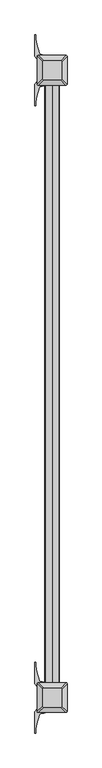
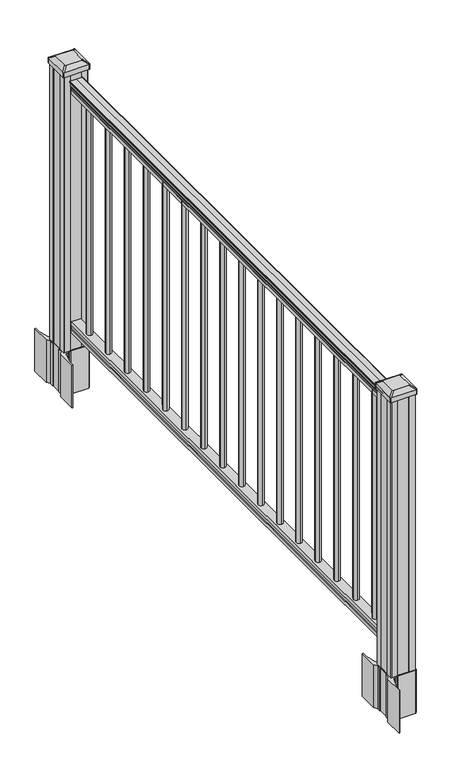
"""IFC4 building model written with IfcOpenShell, lengths in millimetres: railing geometry."""

from ifc_helpers import new_model, si_unit, point, frame, frame_2d, origin, origin_with_axes, place, context, project, spatial, polyline, circle_curve, trimmed, segment, composite_curve, outline, extrude, source, transform, mapped, element, save
from ifc_brep_helpers import plane_surface, extruded_surface, advanced_brep


def railing_720dedae(model_context):
    return source(origin(), model_context, "Body", "SolidModel", [
        extrude(outline(composite_curve([segment(polyline([(938.4043297, -100.5103658), (940.292412, -100.5103658)]), True, "CONTINUOUS"), segment(trimmed(circle_curve(frame_2d((946.0506383, -106.8251191)), 8.545951), [point((940.292412, -100.5103658))], [point((941.8546695, -99.3801795))], False, "CARTESIAN"), True, "CONTINUOUS"), segment(trimmed(circle_curve(frame_2d((945.4636577, -106.3880561)), 7.882584), [point((941.8546695, -99.3801795))], [point((949.0726458, -99.3801795))], False, "CARTESIAN"), True, "CONTINUOUS"), segment(trimmed(circle_curve(frame_2d((951.3112527, -95.874732)), 4.1592695), [point((949.0726458, -99.3801795))], [point((951.5060812, -100.0294359))], True, "CARTESIAN"), True, "CONTINUOUS"), segment(trimmed(circle_curve(frame_2d((951.2508864, -94.5874254)), 5.4479907), [point((951.5060812, -100.0294359))], [point((955.8362083, -97.5294359))], True, "CARTESIAN"), True, "CONTINUOUS"), segment(trimmed(circle_curve(frame_2d((955.833395, -95.8205839)), 1.7088543), [point((955.8362083, -97.5294359))], [point((957.5157972, -96.1200935))], True, "CARTESIAN"), True, "CONTINUOUS"), segment(trimmed(circle_curve(frame_2d((958.6205318, -97.437484)), 1.7192895), [point((957.5157972, -96.1200935))], [point((958.6205318, -95.7181945))], False, "CARTESIAN"), True, "CONTINUOUS"), segment(polyline([(958.6205318, -95.7181945), (959.9608158, -95.7181945)]), True, "CONTINUOUS"), segment(trimmed(circle_curve(frame_2d((959.9608158, -97.2716418)), 1.5534472), [point((959.9608158, -95.7181945))], [point((961.514263, -97.2716418))], False, "CARTESIAN"), True, "CONTINUOUS"), segment(polyline([(961.514263, -97.2716418), (961.514263, -117.9431945), (961.514263, -138.6147473)]), True, "CONTINUOUS"), segment(trimmed(circle_curve(frame_2d((959.9608158, -138.6147473)), 1.5534472), [point((961.514263, -138.6147473))], [point((959.9608158, -140.1681945))], False, "CARTESIAN"), True, "CONTINUOUS"), segment(polyline([(959.9608158, -140.1681945), (958.6205318, -140.1681945)]), True, "CONTINUOUS"), segment(trimmed(circle_curve(frame_2d((958.6205318, -138.4489051)), 1.7192895), [point((958.6205318, -140.1681945))], [point((957.5157972, -139.7662956))], False, "CARTESIAN"), True, "CONTINUOUS"), segment(trimmed(circle_curve(frame_2d((955.833395, -140.0658052)), 1.7088543), [point((957.5157972, -139.7662956))], [point((955.8362083, -138.3569532))], True, "CARTESIAN"), True, "CONTINUOUS"), segment(trimmed(circle_curve(frame_2d((951.2508864, -141.2989636)), 5.4479907), [point((955.8362083, -138.3569532))], [point((951.5060812, -135.8569532))], True, "CARTESIAN"), True, "CONTINUOUS"), segment(trimmed(circle_curve(frame_2d((951.3112527, -140.0116571)), 4.1592695), [point((951.5060812, -135.8569532))], [point((949.0726458, -136.5062096))], True, "CARTESIAN"), True, "CONTINUOUS"), segment(trimmed(circle_curve(frame_2d((945.4636577, -129.498333)), 7.882584), [point((949.0726458, -136.5062096))], [point((941.8546695, -136.5062096))], False, "CARTESIAN"), True, "CONTINUOUS"), segment(trimmed(circle_curve(frame_2d((946.0506383, -129.06127)), 8.545951), [point((941.8546695, -136.5062096))], [point((940.292412, -135.3760233))], False, "CARTESIAN"), True, "CONTINUOUS"), segment(polyline([(940.292412, -135.3760233), (938.4043297, -135.3760233)]), True, "CONTINUOUS"), segment(trimmed(circle_curve(frame_2d((938.4043297, -134.0891089)), 1.2869144), [point((938.4043297, -135.3760233))], [point((938.4043297, -132.8021945))], False, "CARTESIAN"), True, "CONTINUOUS"), segment(polyline([(938.4043297, -132.8021945), (927.9048283, -132.8021945), (926.8888283, -133.8181945), (914.4, -133.8181945), (914.4, -102.0681945), (926.731013, -102.0681945), (927.747013, -103.0841945), (938.4043297, -103.0841945)]), True, "CONTINUOUS"), segment(trimmed(circle_curve(frame_2d((938.4043297, -101.7972802)), 1.2869144), [point((938.4043297, -103.0841945))], [point((938.4043297, -100.5103658))], False, "CARTESIAN"), True, "CONTINUOUS")], self_intersect=False)), frame((0.0, -20834.6757239, 0.0), z_axis=(0.0, 1.0, 0.0), x_axis=(0.0, 0.0, 1.0)), (0.0, 0.0, 1.0), 1828.8),
        extrude(outline(polyline([(76.0541976, -102.0307077), (77.3546183, -103.0467077), (87.7141717, -103.0467077), (89.0624492, -102.0307077), (101.5958781, -102.0307077), (101.5958781, -133.7807077), (89.0458024, -133.7807077), (87.6975248, -132.7647077), (77.3858283, -132.7647077), (76.0375508, -133.7807077), (63.5, -133.7807077), (63.5, -102.0307077), (76.0541976, -102.0307077)])), frame((0.0, -20834.6757239, 0.0), z_axis=(0.0, 1.0, 0.0), x_axis=(0.0, 0.0, 1.0)), (0.0, 0.0, 1.0), 1828.8),
        extrude(outline(composite_curve([segment(trimmed(circle_curve(frame_2d((-117.9431945, -19084.8697239)), 9.525), [point((-108.4181945, -19084.8697239))], [point((-117.9431945, -19094.3947239))], False, "CARTESIAN"), True, "CONTINUOUS"), segment(trimmed(circle_curve(frame_2d((-117.9431945, -19084.8697239)), 9.525), [point((-117.9431945, -19094.3947239))], [point((-127.4681945, -19084.8697239))], False, "CARTESIAN"), True, "CONTINUOUS"), segment(trimmed(circle_curve(frame_2d((-117.9431945, -19084.8697239)), 9.525), [point((-127.4681945, -19084.8697239))], [point((-117.9431945, -19075.3447239))], False, "CARTESIAN"), True, "CONTINUOUS"), segment(trimmed(circle_curve(frame_2d((-117.9431945, -19084.8697239)), 9.525), [point((-117.9431945, -19075.3447239))], [point((-108.4181945, -19084.8697239))], False, "CARTESIAN"), True, "CONTINUOUS")], self_intersect=False)), frame((0.0, 0.0, 101.5958781), z_axis=(0.0, 0.0, 1.0), x_axis=(1.0, 0.0, 0.0)), (0.0, 0.0, 1.0), 812.8041219),
        extrude(outline(composite_curve([segment(trimmed(circle_curve(frame_2d((-117.9431945, -19196.1217239)), 9.525), [point((-108.4181945, -19196.1217239))], [point((-117.9431945, -19205.6467239))], False, "CARTESIAN"), True, "CONTINUOUS"), segment(trimmed(circle_curve(frame_2d((-117.9431945, -19196.1217239)), 9.525), [point((-117.9431945, -19205.6467239))], [point((-127.4681945, -19196.1217239))], False, "CARTESIAN"), True, "CONTINUOUS"), segment(trimmed(circle_curve(frame_2d((-117.9431945, -19196.1217239)), 9.525), [point((-127.4681945, -19196.1217239))], [point((-117.9431945, -19186.5967239))], False, "CARTESIAN"), True, "CONTINUOUS"), segment(trimmed(circle_curve(frame_2d((-117.9431945, -19196.1217239)), 9.525), [point((-117.9431945, -19186.5967239))], [point((-108.4181945, -19196.1217239))], False, "CARTESIAN"), True, "CONTINUOUS")], self_intersect=False)), frame((0.0, 0.0, 101.5958781), z_axis=(0.0, 0.0, 1.0), x_axis=(1.0, 0.0, 0.0)), (0.0, 0.0, 1.0), 812.8041219),
        extrude(outline(composite_curve([segment(trimmed(circle_curve(frame_2d((-117.9431945, -19307.3737239)), 9.525), [point((-108.4181945, -19307.3737239))], [point((-117.9431945, -19316.8987239))], False, "CARTESIAN"), True, "CONTINUOUS"), segment(trimmed(circle_curve(frame_2d((-117.9431945, -19307.3737239)), 9.525), [point((-117.9431945, -19316.8987239))], [point((-127.4681945, -19307.3737239))], False, "CARTESIAN"), True, "CONTINUOUS"), segment(trimmed(circle_curve(frame_2d((-117.9431945, -19307.3737239)), 9.525), [point((-127.4681945, -19307.3737239))], [point((-117.9431945, -19297.8487239))], False, "CARTESIAN"), True, "CONTINUOUS"), segment(trimmed(circle_curve(frame_2d((-117.9431945, -19307.3737239)), 9.525), [point((-117.9431945, -19297.8487239))], [point((-108.4181945, -19307.3737239))], False, "CARTESIAN"), True, "CONTINUOUS")], self_intersect=False)), frame((0.0, 0.0, 101.5958781), z_axis=(0.0, 0.0, 1.0), x_axis=(1.0, 0.0, 0.0)), (0.0, 0.0, 1.0), 812.8041219),
        extrude(outline(composite_curve([segment(trimmed(circle_curve(frame_2d((-117.9431945, -19418.6257239)), 9.525), [point((-108.4181945, -19418.6257239))], [point((-117.9431945, -19428.1507239))], False, "CARTESIAN"), True, "CONTINUOUS"), segment(trimmed(circle_curve(frame_2d((-117.9431945, -19418.6257239)), 9.525), [point((-117.9431945, -19428.1507239))], [point((-127.4681945, -19418.6257239))], False, "CARTESIAN"), True, "CONTINUOUS"), segment(trimmed(circle_curve(frame_2d((-117.9431945, -19418.6257239)), 9.525), [point((-127.4681945, -19418.6257239))], [point((-117.9431945, -19409.1007239))], False, "CARTESIAN"), True, "CONTINUOUS"), segment(trimmed(circle_curve(frame_2d((-117.9431945, -19418.6257239)), 9.525), [point((-117.9431945, -19409.1007239))], [point((-108.4181945, -19418.6257239))], False, "CARTESIAN"), True, "CONTINUOUS")], self_intersect=False)), frame((0.0, 0.0, 101.5958781), z_axis=(0.0, 0.0, 1.0), x_axis=(1.0, 0.0, 0.0)), (0.0, 0.0, 1.0), 812.8041219),
        extrude(outline(composite_curve([segment(trimmed(circle_curve(frame_2d((-117.9431945, -19529.8777239)), 9.525), [point((-108.4181945, -19529.8777239))], [point((-117.9431945, -19539.4027239))], False, "CARTESIAN"), True, "CONTINUOUS"), segment(trimmed(circle_curve(frame_2d((-117.9431945, -19529.8777239)), 9.525), [point((-117.9431945, -19539.4027239))], [point((-127.4681945, -19529.8777239))], False, "CARTESIAN"), True, "CONTINUOUS"), segment(trimmed(circle_curve(frame_2d((-117.9431945, -19529.8777239)), 9.525), [point((-127.4681945, -19529.8777239))], [point((-117.9431945, -19520.3527239))], False, "CARTESIAN"), True, "CONTINUOUS"), segment(trimmed(circle_curve(frame_2d((-117.9431945, -19529.8777239)), 9.525), [point((-117.9431945, -19520.3527239))], [point((-108.4181945, -19529.8777239))], False, "CARTESIAN"), True, "CONTINUOUS")], self_intersect=False)), frame((0.0, 0.0, 101.5958781), z_axis=(0.0, 0.0, 1.0), x_axis=(1.0, 0.0, 0.0)), (0.0, 0.0, 1.0), 812.8041219),
        extrude(outline(composite_curve([segment(trimmed(circle_curve(frame_2d((-117.9431945, -19641.1297239)), 9.525), [point((-108.4181945, -19641.1297239))], [point((-117.9431945, -19650.6547239))], False, "CARTESIAN"), True, "CONTINUOUS"), segment(trimmed(circle_curve(frame_2d((-117.9431945, -19641.1297239)), 9.525), [point((-117.9431945, -19650.6547239))], [point((-127.4681945, -19641.1297239))], False, "CARTESIAN"), True, "CONTINUOUS"), segment(trimmed(circle_curve(frame_2d((-117.9431945, -19641.1297239)), 9.525), [point((-127.4681945, -19641.1297239))], [point((-117.9431945, -19631.6047239))], False, "CARTESIAN"), True, "CONTINUOUS"), segment(trimmed(circle_curve(frame_2d((-117.9431945, -19641.1297239)), 9.525), [point((-117.9431945, -19631.6047239))], [point((-108.4181945, -19641.1297239))], False, "CARTESIAN"), True, "CONTINUOUS")], self_intersect=False)), frame((0.0, 0.0, 101.5958781), z_axis=(0.0, 0.0, 1.0), x_axis=(1.0, 0.0, 0.0)), (0.0, 0.0, 1.0), 812.8041219),
        extrude(outline(composite_curve([segment(trimmed(circle_curve(frame_2d((-117.9431945, -19752.3817239)), 9.525), [point((-108.4181945, -19752.3817239))], [point((-117.9431945, -19761.9067239))], False, "CARTESIAN"), True, "CONTINUOUS"), segment(trimmed(circle_curve(frame_2d((-117.9431945, -19752.3817239)), 9.525), [point((-117.9431945, -19761.9067239))], [point((-127.4681945, -19752.3817239))], False, "CARTESIAN"), True, "CONTINUOUS"), segment(trimmed(circle_curve(frame_2d((-117.9431945, -19752.3817239)), 9.525), [point((-127.4681945, -19752.3817239))], [point((-117.9431945, -19742.8567239))], False, "CARTESIAN"), True, "CONTINUOUS"), segment(trimmed(circle_curve(frame_2d((-117.9431945, -19752.3817239)), 9.525), [point((-117.9431945, -19742.8567239))], [point((-108.4181945, -19752.3817239))], False, "CARTESIAN"), True, "CONTINUOUS")], self_intersect=False)), frame((0.0, 0.0, 101.5958781), z_axis=(0.0, 0.0, 1.0), x_axis=(1.0, 0.0, 0.0)), (0.0, 0.0, 1.0), 812.8041219),
        extrude(outline(composite_curve([segment(trimmed(circle_curve(frame_2d((-117.9431945, -19863.6337239)), 9.525), [point((-108.4181945, -19863.6337239))], [point((-117.9431945, -19873.1587239))], False, "CARTESIAN"), True, "CONTINUOUS"), segment(trimmed(circle_curve(frame_2d((-117.9431945, -19863.6337239)), 9.525), [point((-117.9431945, -19873.1587239))], [point((-127.4681945, -19863.6337239))], False, "CARTESIAN"), True, "CONTINUOUS"), segment(trimmed(circle_curve(frame_2d((-117.9431945, -19863.6337239)), 9.525), [point((-127.4681945, -19863.6337239))], [point((-117.9431945, -19854.1087239))], False, "CARTESIAN"), True, "CONTINUOUS"), segment(trimmed(circle_curve(frame_2d((-117.9431945, -19863.6337239)), 9.525), [point((-117.9431945, -19854.1087239))], [point((-108.4181945, -19863.6337239))], False, "CARTESIAN"), True, "CONTINUOUS")], self_intersect=False)), frame((0.0, 0.0, 101.5958781), z_axis=(0.0, 0.0, 1.0), x_axis=(1.0, 0.0, 0.0)), (0.0, 0.0, 1.0), 812.8041219),
        extrude(outline(composite_curve([segment(trimmed(circle_curve(frame_2d((-117.9431945, -19974.8857239)), 9.525), [point((-108.4181945, -19974.8857239))], [point((-117.9431945, -19984.4107239))], False, "CARTESIAN"), True, "CONTINUOUS"), segment(trimmed(circle_curve(frame_2d((-117.9431945, -19974.8857239)), 9.525), [point((-117.9431945, -19984.4107239))], [point((-127.4681945, -19974.8857239))], False, "CARTESIAN"), True, "CONTINUOUS"), segment(trimmed(circle_curve(frame_2d((-117.9431945, -19974.8857239)), 9.525), [point((-127.4681945, -19974.8857239))], [point((-117.9431945, -19965.3607239))], False, "CARTESIAN"), True, "CONTINUOUS"), segment(trimmed(circle_curve(frame_2d((-117.9431945, -19974.8857239)), 9.525), [point((-117.9431945, -19965.3607239))], [point((-108.4181945, -19974.8857239))], False, "CARTESIAN"), True, "CONTINUOUS")], self_intersect=False)), frame((0.0, 0.0, 101.5958781), z_axis=(0.0, 0.0, 1.0), x_axis=(1.0, 0.0, 0.0)), (0.0, 0.0, 1.0), 812.8041219),
        extrude(outline(composite_curve([segment(trimmed(circle_curve(frame_2d((-117.9431945, -20086.1377239)), 9.525), [point((-108.4181945, -20086.1377239))], [point((-117.9431945, -20095.6627239))], False, "CARTESIAN"), True, "CONTINUOUS"), segment(trimmed(circle_curve(frame_2d((-117.9431945, -20086.1377239)), 9.525), [point((-117.9431945, -20095.6627239))], [point((-127.4681945, -20086.1377239))], False, "CARTESIAN"), True, "CONTINUOUS"), segment(trimmed(circle_curve(frame_2d((-117.9431945, -20086.1377239)), 9.525), [point((-127.4681945, -20086.1377239))], [point((-117.9431945, -20076.6127239))], False, "CARTESIAN"), True, "CONTINUOUS"), segment(trimmed(circle_curve(frame_2d((-117.9431945, -20086.1377239)), 9.525), [point((-117.9431945, -20076.6127239))], [point((-108.4181945, -20086.1377239))], False, "CARTESIAN"), True, "CONTINUOUS")], self_intersect=False)), frame((0.0, 0.0, 101.5958781), z_axis=(0.0, 0.0, 1.0), x_axis=(1.0, 0.0, 0.0)), (0.0, 0.0, 1.0), 812.8041219),
        extrude(outline(composite_curve([segment(trimmed(circle_curve(frame_2d((-117.9431945, -20197.3897239)), 9.525), [point((-108.4181945, -20197.3897239))], [point((-117.9431945, -20206.9147239))], False, "CARTESIAN"), True, "CONTINUOUS"), segment(trimmed(circle_curve(frame_2d((-117.9431945, -20197.3897239)), 9.525), [point((-117.9431945, -20206.9147239))], [point((-127.4681945, -20197.3897239))], False, "CARTESIAN"), True, "CONTINUOUS"), segment(trimmed(circle_curve(frame_2d((-117.9431945, -20197.3897239)), 9.525), [point((-127.4681945, -20197.3897239))], [point((-117.9431945, -20187.8647239))], False, "CARTESIAN"), True, "CONTINUOUS"), segment(trimmed(circle_curve(frame_2d((-117.9431945, -20197.3897239)), 9.525), [point((-117.9431945, -20187.8647239))], [point((-108.4181945, -20197.3897239))], False, "CARTESIAN"), True, "CONTINUOUS")], self_intersect=False)), frame((0.0, 0.0, 101.5958781), z_axis=(0.0, 0.0, 1.0), x_axis=(1.0, 0.0, 0.0)), (0.0, 0.0, 1.0), 812.8041219),
        extrude(outline(composite_curve([segment(trimmed(circle_curve(frame_2d((-117.9431945, -20308.6417239)), 9.525), [point((-108.4181945, -20308.6417239))], [point((-117.9431945, -20318.1667239))], False, "CARTESIAN"), True, "CONTINUOUS"), segment(trimmed(circle_curve(frame_2d((-117.9431945, -20308.6417239)), 9.525), [point((-117.9431945, -20318.1667239))], [point((-127.4681945, -20308.6417239))], False, "CARTESIAN"), True, "CONTINUOUS"), segment(trimmed(circle_curve(frame_2d((-117.9431945, -20308.6417239)), 9.525), [point((-127.4681945, -20308.6417239))], [point((-117.9431945, -20299.1167239))], False, "CARTESIAN"), True, "CONTINUOUS"), segment(trimmed(circle_curve(frame_2d((-117.9431945, -20308.6417239)), 9.525), [point((-117.9431945, -20299.1167239))], [point((-108.4181945, -20308.6417239))], False, "CARTESIAN"), True, "CONTINUOUS")], self_intersect=False)), frame((0.0, 0.0, 101.5958781), z_axis=(0.0, 0.0, 1.0), x_axis=(1.0, 0.0, 0.0)), (0.0, 0.0, 1.0), 812.8041219),
        extrude(outline(composite_curve([segment(trimmed(circle_curve(frame_2d((-117.9431945, -20419.8937239)), 9.525), [point((-108.4181945, -20419.8937239))], [point((-117.9431945, -20429.4187239))], False, "CARTESIAN"), True, "CONTINUOUS"), segment(trimmed(circle_curve(frame_2d((-117.9431945, -20419.8937239)), 9.525), [point((-117.9431945, -20429.4187239))], [point((-127.4681945, -20419.8937239))], False, "CARTESIAN"), True, "CONTINUOUS"), segment(trimmed(circle_curve(frame_2d((-117.9431945, -20419.8937239)), 9.525), [point((-127.4681945, -20419.8937239))], [point((-117.9431945, -20410.3687239))], False, "CARTESIAN"), True, "CONTINUOUS"), segment(trimmed(circle_curve(frame_2d((-117.9431945, -20419.8937239)), 9.525), [point((-117.9431945, -20410.3687239))], [point((-108.4181945, -20419.8937239))], False, "CARTESIAN"), True, "CONTINUOUS")], self_intersect=False)), frame((0.0, 0.0, 101.5958781), z_axis=(0.0, 0.0, 1.0), x_axis=(1.0, 0.0, 0.0)), (0.0, 0.0, 1.0), 812.8041219),
        extrude(outline(composite_curve([segment(trimmed(circle_curve(frame_2d((-117.9431945, -20531.1457239)), 9.525), [point((-108.4181945, -20531.1457239))], [point((-117.9431945, -20540.6707239))], False, "CARTESIAN"), True, "CONTINUOUS"), segment(trimmed(circle_curve(frame_2d((-117.9431945, -20531.1457239)), 9.525), [point((-117.9431945, -20540.6707239))], [point((-127.4681945, -20531.1457239))], False, "CARTESIAN"), True, "CONTINUOUS"), segment(trimmed(circle_curve(frame_2d((-117.9431945, -20531.1457239)), 9.525), [point((-127.4681945, -20531.1457239))], [point((-117.9431945, -20521.6207239))], False, "CARTESIAN"), True, "CONTINUOUS"), segment(trimmed(circle_curve(frame_2d((-117.9431945, -20531.1457239)), 9.525), [point((-117.9431945, -20521.6207239))], [point((-108.4181945, -20531.1457239))], False, "CARTESIAN"), True, "CONTINUOUS")], self_intersect=False)), frame((0.0, 0.0, 101.5958781), z_axis=(0.0, 0.0, 1.0), x_axis=(1.0, 0.0, 0.0)), (0.0, 0.0, 1.0), 812.8041219),
        extrude(outline(composite_curve([segment(trimmed(circle_curve(frame_2d((-117.9431945, -20642.3977239)), 9.525), [point((-108.4181945, -20642.3977239))], [point((-117.9431945, -20651.9227239))], False, "CARTESIAN"), True, "CONTINUOUS"), segment(trimmed(circle_curve(frame_2d((-117.9431945, -20642.3977239)), 9.525), [point((-117.9431945, -20651.9227239))], [point((-127.4681945, -20642.3977239))], False, "CARTESIAN"), True, "CONTINUOUS"), segment(trimmed(circle_curve(frame_2d((-117.9431945, -20642.3977239)), 9.525), [point((-127.4681945, -20642.3977239))], [point((-117.9431945, -20632.8727239))], False, "CARTESIAN"), True, "CONTINUOUS"), segment(trimmed(circle_curve(frame_2d((-117.9431945, -20642.3977239)), 9.525), [point((-117.9431945, -20632.8727239))], [point((-108.4181945, -20642.3977239))], False, "CARTESIAN"), True, "CONTINUOUS")], self_intersect=False)), frame((0.0, 0.0, 101.5958781), z_axis=(0.0, 0.0, 1.0), x_axis=(1.0, 0.0, 0.0)), (0.0, 0.0, 1.0), 812.8041219),
        extrude(outline(composite_curve([segment(trimmed(circle_curve(frame_2d((-117.9431945, -20753.6497239)), 9.525), [point((-108.4181945, -20753.6497239))], [point((-117.9431945, -20763.1747239))], False, "CARTESIAN"), True, "CONTINUOUS"), segment(trimmed(circle_curve(frame_2d((-117.9431945, -20753.6497239)), 9.525), [point((-117.9431945, -20763.1747239))], [point((-127.4681945, -20753.6497239))], False, "CARTESIAN"), True, "CONTINUOUS"), segment(trimmed(circle_curve(frame_2d((-117.9431945, -20753.6497239)), 9.525), [point((-127.4681945, -20753.6497239))], [point((-117.9431945, -20744.1247239))], False, "CARTESIAN"), True, "CONTINUOUS"), segment(trimmed(circle_curve(frame_2d((-117.9431945, -20753.6497239)), 9.525), [point((-117.9431945, -20744.1247239))], [point((-108.4181945, -20753.6497239))], False, "CARTESIAN"), True, "CONTINUOUS")], self_intersect=False)), frame((0.0, 0.0, 101.5958781), z_axis=(0.0, 0.0, 1.0), x_axis=(1.0, 0.0, 0.0)), (0.0, 0.0, 1.0), 812.8041219),
        extrude(outline(composite_curve([segment(polyline([(-75.2076945, -18981.8598188), (-73.6201945, -18982.6218188), (-73.6201945, -19005.4237469), (-76.9931716, -19008.7967239), (-138.4528424, -19008.7967239), (-138.4528424, -19009.7174739), (-143.7703863, -19009.7174739), (-143.7703863, -19011.1717286), (-148.854916, -19011.1717286), (-148.854916, -19012.4557525), (-150.5221883, -19012.4557525)]), True, "CONTINUOUS"), segment(trimmed(circle_curve(frame_2d((-150.5221883, -19019.5152123)), 7.0594599), [point((-150.5221883, -19012.4557525))], [point((-157.2894511, -19017.5052056))], True, "CARTESIAN"), True, "CONTINUOUS"), segment(polyline([(-157.2894511, -19017.5052056), (-165.1636454, -19044.0159347)]), True, "CONTINUOUS"), segment(trimmed(circle_curve(frame_2d((-110.379132, -19060.2879844)), 57.15), [point((-165.1636454, -19044.0159347))], [point((-167.529132, -19060.2879844))], True, "CARTESIAN"), True, "CONTINUOUS"), segment(polyline([(-167.529132, -19060.2879844), (-167.529132, -19072.2967239), (-170.529132, -19072.2967239), (-170.529132, -19007.2092239), (-162.2661945, -18995.8709326), (-162.2661945, -18982.6218188), (-160.6786945, -18981.8598188), (-160.6786945, -18947.0876291), (-162.2661945, -18946.3256291), (-162.2661945, -18933.0765153), (-170.529132, -18921.7382239), (-170.529132, -18856.6507239), (-167.529132, -18856.6507239), (-167.529132, -18868.6594635)]), True, "CONTINUOUS"), segment(trimmed(circle_curve(frame_2d((-110.379132, -18868.6594635)), 57.15), [point((-167.529132, -18868.6594635))], [point((-165.1636454, -18884.9315132))], True, "CARTESIAN"), True, "CONTINUOUS"), segment(polyline([(-165.1636454, -18884.9315132), (-157.2894511, -18911.4422422)]), True, "CONTINUOUS"), segment(trimmed(circle_curve(frame_2d((-150.5221883, -18909.4322356)), 7.0594599), [point((-157.2894511, -18911.4422422))], [point((-150.5221883, -18916.4916954))], True, "CARTESIAN"), True, "CONTINUOUS"), segment(polyline([(-150.5221883, -18916.4916954), (-148.854916, -18916.4916954), (-148.854916, -18917.7757193), (-143.7703863, -18917.7757193), (-143.7703863, -18919.2299739), (-138.4528424, -18919.2299739), (-138.4528424, -18920.1507239), (-76.9931716, -18920.1507239), (-73.6201945, -18923.523701), (-73.6201945, -18946.3256291), (-75.2076945, -18947.0876291), (-75.2076945, -18981.8598188)]), True, "CONTINUOUS")], self_intersect=False), holes=[polyline([(-159.2181945, -18924.7862239), (-159.2181945, -19004.1612239), (-157.6306945, -19005.7487239), (-120.7064119, -19005.7487239), (-78.2556945, -19005.7487239), (-76.6681945, -19004.1612239), (-76.6681945, -18924.7862239), (-78.2556945, -18923.1987239), (-120.7064119, -18923.1987239), (-157.6306945, -18923.1987239), (-159.2181945, -18924.7862239)])]), frame((0.0, 0.0, -152.4), z_axis=(0.0, 0.0, 1.0), x_axis=(1.0, 0.0, 0.0)), (0.0, 0.0, 1.0), 152.4),
        advanced_brep(
        [(-143.7400695, -18993.4455989, 1012.825), (-92.1463195, -18993.4455989, 1012.825), (-88.9713195, -18990.2705989, 1012.825), (-88.9713195, -18938.6768489, 1012.825), (-92.1463195, -18935.5018489, 1012.825), (-143.7400695, -18935.5018489, 1012.825), (-146.9150695, -18938.6768489, 1012.825), (-146.9150695, -18990.2705989, 1012.825), (-160.0119445, -19009.7174739, 1001.522), (-163.1869445, -19006.5424739, 1001.522), (-163.1869445, -18922.4049739, 1001.522), (-160.0119445, -18919.2299739, 1001.522), (-75.8744445, -18919.2299739, 1001.522), (-72.6994445, -18922.4049739, 1001.522), (-72.6994445, -19006.5424739, 1001.522), (-75.8744445, -19009.7174739, 1001.522)],
        [
            (0, 1),
            (1, 2, circle_curve(frame((-92.1463195, -18990.2705989, 1012.825), z_axis=(0.0, 0.0, 1.0), x_axis=(0.0, 1.0, 0.0)), 3.175)),
            (2, 3),
            (3, 4, circle_curve(frame((-92.1463195, -18938.6768489, 1012.825), z_axis=(0.0, 0.0, 1.0), x_axis=(0.0, 1.0, 0.0)), 3.175)),
            (4, 5),
            (5, 6, circle_curve(frame((-143.7400695, -18938.6768489, 1012.825), z_axis=(0.0, 0.0, 1.0), x_axis=(0.0, 1.0, 0.0)), 3.175)),
            (6, 7),
            (7, 0, circle_curve(frame((-143.7400695, -18990.2705989, 1012.825), z_axis=(0.0, 0.0, 1.0), x_axis=(0.0, 1.0, 0.0)), 3.175)),
            (8, 9, circle_curve(frame((-160.0119445, -19006.5424739, 1001.522), z_axis=(0.0, 0.0, -1.0), x_axis=(0.0, 1.0, 0.0)), 3.175)),
            (9, 10),
            (10, 11, circle_curve(frame((-160.0119445, -18922.4049739, 1001.522), z_axis=(0.0, 0.0, -1.0), x_axis=(0.0, 1.0, 0.0)), 3.175)),
            (11, 12),
            (12, 13, circle_curve(frame((-75.8744445, -18922.4049739, 1001.522), z_axis=(0.0, 0.0, -1.0), x_axis=(0.0, 1.0, 0.0)), 3.175)),
            (13, 14),
            (14, 15, circle_curve(frame((-75.8744445, -19006.5424739, 1001.522), z_axis=(0.0, 0.0, -1.0), x_axis=(0.0, 1.0, 0.0)), 3.175)),
            (15, 8),
            (8, 0),
            (7, 9),
            (6, 10),
            (5, 11),
            (4, 12),
            (3, 13),
            (2, 14),
            (1, 15),
        ],
        [
            plane_surface(frame((-117.9431945, -18964.4737239, 1012.825), z_axis=(0.0, 0.0, 1.0), x_axis=(-1.0, 0.0, 0.0))),
            plane_surface(frame((-117.9431945, -18964.4737239, 1001.522), z_axis=(0.0, 0.0, -1.0), x_axis=(-1.0, 0.0, 0.0))),
            extruded_surface(trimmed(circle_curve(frame((-143.7400695, -18990.2705989, 1012.825), z_axis=(0.0, 0.0, -1.0), x_axis=(0.0, 1.0, 0.0)), 3.175), [point((-143.7400695, -18993.4455989, 1012.825))], [point((-146.9150695, -18990.2705989, 1012.825))], True, "CARTESIAN"), (-16.271874999999994, -16.271875000002183, -11.302999999999997), 25.63797263886754),
            plane_surface(frame((-163.1869445, -18964.4737239, 1001.522), z_axis=(-0.5705009161540779, 0.0, 0.8212969649690408), x_axis=(0.0, 1.0, 0.0))),
            extruded_surface(trimmed(circle_curve(frame((-143.7400695, -18938.6768489, 1012.825), z_axis=(0.0, 0.0, -1.0), x_axis=(0.0, 1.0, 0.0)), 3.175), [point((-146.9150695, -18938.6768489, 1012.825))], [point((-143.7400695, -18935.5018489, 1012.825))], True, "CARTESIAN"), (-16.271874999999994, 16.271874999998545, -11.302999999999997), 25.637972638865236),
            plane_surface(frame((-117.9431945, -18919.2299739, 1001.522), z_axis=(0.0, 0.5705009161540291, 0.8212969649690747), x_axis=(1.0, 0.0, 0.0))),
            extruded_surface(trimmed(circle_curve(frame((-92.1463195, -18938.6768489, 1012.825), z_axis=(0.0, 0.0, -1.0), x_axis=(0.0, 1.0, 0.0)), 3.175), [point((-92.1463195, -18935.5018489, 1012.825))], [point((-88.9713195, -18938.6768489, 1012.825))], True, "CARTESIAN"), (16.27187500000001, 16.271874999998545, -11.302999999999997), 25.637972638865243),
            plane_surface(frame((-72.6994445, -18964.4737239, 1001.522), z_axis=(0.5705009161540141, 0.0, 0.8212969649690851), x_axis=(0.0, -1.0, 0.0))),
            extruded_surface(trimmed(circle_curve(frame((-92.1463195, -18990.2705989, 1012.825), z_axis=(0.0, 0.0, -1.0), x_axis=(0.0, 1.0, 0.0)), 3.175), [point((-88.9713195, -18990.2705989, 1012.825))], [point((-92.1463195, -18993.4455989, 1012.825))], True, "CARTESIAN"), (16.27187500000001, -16.271875000002183, -11.302999999999997), 25.637972638867552),
            plane_surface(frame((-117.9431945, -19009.7174739, 1001.522), z_axis=(0.0, -0.570500916154034, 0.8212969649690713), x_axis=(-1.0, 0.0, 0.0))),
        ],
        [
            (0, [[1, 2, 3, 4, 5, 6, 7, 8]]),
            (1, [[9, 10, 11, 12, 13, 14, 15, 16]]),
            (2, [[17, -8, 18, -9]]),
            (3, [[-18, -7, 19, -10]]),
            (4, [[-19, -6, 20, -11]]),
            (5, [[-20, -5, 21, -12]]),
            (6, [[-21, -4, 22, -13]]),
            (7, [[-22, -3, 23, -14]]),
            (8, [[-23, -2, 24, -15]]),
            (9, [[-24, -1, -17, -16]]),
        ],
    ),
        extrude(outline(composite_curve([segment(trimmed(circle_curve(frame_2d((-160.0119445, -19006.5424739)), 3.175), [point((-160.0119445, -19009.7174739))], [point((-163.1869445, -19006.5424739))], False, "CARTESIAN"), True, "CONTINUOUS"), segment(polyline([(-163.1869445, -19006.5424739), (-163.1869445, -18922.4049739)]), True, "CONTINUOUS"), segment(trimmed(circle_curve(frame_2d((-160.0119445, -18922.4049739)), 3.175), [point((-163.1869445, -18922.4049739))], [point((-160.0119445, -18919.2299739))], False, "CARTESIAN"), True, "CONTINUOUS"), segment(polyline([(-160.0119445, -18919.2299739), (-75.8744445, -18919.2299739)]), True, "CONTINUOUS"), segment(trimmed(circle_curve(frame_2d((-75.8744445, -18922.4049739)), 3.175), [point((-75.8744445, -18919.2299739))], [point((-72.6994445, -18922.4049739))], False, "CARTESIAN"), True, "CONTINUOUS"), segment(polyline([(-72.6994445, -18922.4049739), (-72.6994445, -19006.5424739)]), True, "CONTINUOUS"), segment(trimmed(circle_curve(frame_2d((-75.8744445, -19006.5424739)), 3.175), [point((-72.6994445, -19006.5424739))], [point((-75.8744445, -19009.7174739))], False, "CARTESIAN"), True, "CONTINUOUS"), segment(polyline([(-75.8744445, -19009.7174739), (-160.0119445, -19009.7174739)]), True, "CONTINUOUS")], self_intersect=False)), frame((0.0, 0.0, 984.25), z_axis=(0.0, 0.0, 1.0), x_axis=(1.0, 0.0, 0.0)), (0.0, 0.0, 1.0), 17.272),
        extrude(outline(polyline([(-157.6306945, -19005.7487239), (-159.2181945, -19004.1612239), (-159.2181945, -18984.5397239), (-157.6306945, -18983.7777239), (-157.6306945, -18945.1697239), (-159.2181945, -18944.4077239), (-159.2181945, -18924.7862239), (-157.6306945, -18923.1987239), (-138.0091945, -18923.1987239), (-137.2471945, -18924.7862239), (-98.6391945, -18924.7862239), (-97.8771945, -18923.1987239), (-78.2556945, -18923.1987239), (-76.6681945, -18924.7862239), (-76.6681945, -18944.4077239), (-78.2556945, -18945.1697239), (-78.2556945, -18983.7777239), (-76.6681945, -18984.5397239), (-76.6681945, -19004.1612239), (-78.2556945, -19005.7487239), (-97.8771945, -19005.7487239), (-98.6391945, -19004.1612239), (-137.2471945, -19004.1612239), (-138.0091945, -19005.7487239), (-157.6306945, -19005.7487239)])), origin_with_axes(), (0.0, 0.0, 1.0), 984.25),
        extrude(outline(composite_curve([segment(polyline([(-75.2076945, -20893.4638188), (-73.6201945, -20894.2258188), (-73.6201945, -20917.0277469), (-76.9931716, -20920.4007239), (-138.4528424, -20920.4007239), (-138.4528424, -20921.3214739), (-143.7703863, -20921.3214739), (-143.7703863, -20922.7757286), (-148.854916, -20922.7757286), (-148.854916, -20924.0597525), (-150.5221883, -20924.0597525)]), True, "CONTINUOUS"), segment(trimmed(circle_curve(frame_2d((-150.5221883, -20931.1192123)), 7.0594599), [point((-150.5221883, -20924.0597525))], [point((-157.2894511, -20929.1092056))], True, "CARTESIAN"), True, "CONTINUOUS"), segment(polyline([(-157.2894511, -20929.1092056), (-165.1636454, -20955.6199347)]), True, "CONTINUOUS"), segment(trimmed(circle_curve(frame_2d((-110.379132, -20971.8919844)), 57.15), [point((-165.1636454, -20955.6199347))], [point((-167.529132, -20971.8919844))], True, "CARTESIAN"), True, "CONTINUOUS"), segment(polyline([(-167.529132, -20971.8919844), (-167.529132, -20983.9007239), (-170.529132, -20983.9007239), (-170.529132, -20918.8132239), (-162.2661945, -20907.4749326), (-162.2661945, -20894.2258188), (-160.6786945, -20893.4638188), (-160.6786945, -20858.6916291), (-162.2661945, -20857.9296291), (-162.2661945, -20844.6805153), (-170.529132, -20833.3422239), (-170.529132, -20768.2547239), (-167.529132, -20768.2547239), (-167.529132, -20780.2634635)]), True, "CONTINUOUS"), segment(trimmed(circle_curve(frame_2d((-110.379132, -20780.2634635)), 57.15), [point((-167.529132, -20780.2634635))], [point((-165.1636454, -20796.5355132))], True, "CARTESIAN"), True, "CONTINUOUS"), segment(polyline([(-165.1636454, -20796.5355132), (-157.2894511, -20823.0462422)]), True, "CONTINUOUS"), segment(trimmed(circle_curve(frame_2d((-150.5221883, -20821.0362356)), 7.0594599), [point((-157.2894511, -20823.0462422))], [point((-150.5221883, -20828.0956954))], True, "CARTESIAN"), True, "CONTINUOUS"), segment(polyline([(-150.5221883, -20828.0956954), (-148.854916, -20828.0956954), (-148.854916, -20829.3797193), (-143.7703863, -20829.3797193), (-143.7703863, -20830.8339739), (-138.4528424, -20830.8339739), (-138.4528424, -20831.7547239), (-76.9931716, -20831.7547239), (-73.6201945, -20835.127701), (-73.6201945, -20857.9296291), (-75.2076945, -20858.6916291), (-75.2076945, -20893.4638188)]), True, "CONTINUOUS")], self_intersect=False), holes=[polyline([(-159.2181945, -20836.3902239), (-159.2181945, -20915.7652239), (-157.6306945, -20917.3527239), (-120.7064119, -20917.3527239), (-78.2556945, -20917.3527239), (-76.6681945, -20915.7652239), (-76.6681945, -20836.3902239), (-78.2556945, -20834.8027239), (-120.7064119, -20834.8027239), (-157.6306945, -20834.8027239), (-159.2181945, -20836.3902239)])]), frame((0.0, 0.0, -152.4), z_axis=(0.0, 0.0, 1.0), x_axis=(1.0, 0.0, 0.0)), (0.0, 0.0, 1.0), 152.4),
        advanced_brep(
        [(-143.7400695, -20905.0495989, 1012.825), (-92.1463195, -20905.0495989, 1012.825), (-88.9713195, -20901.8745989, 1012.825), (-88.9713195, -20850.2808489, 1012.825), (-92.1463195, -20847.1058489, 1012.825), (-143.7400695, -20847.1058489, 1012.825), (-146.9150695, -20850.2808489, 1012.825), (-146.9150695, -20901.8745989, 1012.825), (-160.0119445, -20921.3214739, 1001.522), (-163.1869445, -20918.1464739, 1001.522), (-163.1869445, -20834.0089739, 1001.522), (-160.0119445, -20830.8339739, 1001.522), (-75.8744445, -20830.8339739, 1001.522), (-72.6994445, -20834.0089739, 1001.522), (-72.6994445, -20918.1464739, 1001.522), (-75.8744445, -20921.3214739, 1001.522)],
        [
            (0, 1),
            (1, 2, circle_curve(frame((-92.1463195, -20901.8745989, 1012.825), z_axis=(0.0, 0.0, 1.0), x_axis=(0.0, 1.0, 0.0)), 3.175)),
            (2, 3),
            (3, 4, circle_curve(frame((-92.1463195, -20850.2808489, 1012.825), z_axis=(0.0, 0.0, 1.0), x_axis=(0.0, 1.0, 0.0)), 3.175)),
            (4, 5),
            (5, 6, circle_curve(frame((-143.7400695, -20850.2808489, 1012.825), z_axis=(0.0, 0.0, 1.0), x_axis=(0.0, 1.0, 0.0)), 3.175)),
            (6, 7),
            (7, 0, circle_curve(frame((-143.7400695, -20901.8745989, 1012.825), z_axis=(0.0, 0.0, 1.0), x_axis=(0.0, 1.0, 0.0)), 3.175)),
            (8, 9, circle_curve(frame((-160.0119445, -20918.1464739, 1001.522), z_axis=(0.0, 0.0, -1.0), x_axis=(0.0, 1.0, 0.0)), 3.175)),
            (9, 10),
            (10, 11, circle_curve(frame((-160.0119445, -20834.0089739, 1001.522), z_axis=(0.0, 0.0, -1.0), x_axis=(0.0, 1.0, 0.0)), 3.175)),
            (11, 12),
            (12, 13, circle_curve(frame((-75.8744445, -20834.0089739, 1001.522), z_axis=(0.0, 0.0, -1.0), x_axis=(0.0, 1.0, 0.0)), 3.175)),
            (13, 14),
            (14, 15, circle_curve(frame((-75.8744445, -20918.1464739, 1001.522), z_axis=(0.0, 0.0, -1.0), x_axis=(0.0, 1.0, 0.0)), 3.175)),
            (15, 8),
            (8, 0),
            (7, 9),
            (6, 10),
            (5, 11),
            (4, 12),
            (3, 13),
            (2, 14),
            (1, 15),
        ],
        [
            plane_surface(frame((-117.9431945, -20876.0777239, 1012.825), z_axis=(0.0, 0.0, 1.0), x_axis=(-1.0, 0.0, 0.0))),
            plane_surface(frame((-117.9431945, -20876.0777239, 1001.522), z_axis=(0.0, 0.0, -1.0), x_axis=(-1.0, 0.0, 0.0))),
            extruded_surface(trimmed(circle_curve(frame((-143.7400695, -20901.8745989, 1012.825), z_axis=(0.0, 0.0, -1.0), x_axis=(0.0, 1.0, 0.0)), 3.175), [point((-143.7400695, -20905.0495989, 1012.825))], [point((-146.9150695, -20901.8745989, 1012.825))], True, "CARTESIAN"), (-16.271874999999994, -16.271874999998545, -11.302999999999997), 25.637972638865236),
            plane_surface(frame((-163.1869445, -20876.0777239, 1001.522), z_axis=(-0.5705009161540779, 0.0, 0.8212969649690408), x_axis=(0.0, 1.0, 0.0))),
            extruded_surface(trimmed(circle_curve(frame((-143.7400695, -20850.2808489, 1012.825), z_axis=(0.0, 0.0, -1.0), x_axis=(0.0, 1.0, 0.0)), 3.175), [point((-146.9150695, -20850.2808489, 1012.825))], [point((-143.7400695, -20847.1058489, 1012.825))], True, "CARTESIAN"), (-16.271874999999994, 16.271875000002183, -11.302999999999997), 25.63797263886754),
            plane_surface(frame((-117.9431945, -20830.8339739, 1001.522), z_axis=(0.0, 0.5705009161540291, 0.8212969649690747), x_axis=(1.0, 0.0, 0.0))),
            extruded_surface(trimmed(circle_curve(frame((-92.1463195, -20850.2808489, 1012.825), z_axis=(0.0, 0.0, -1.0), x_axis=(0.0, 1.0, 0.0)), 3.175), [point((-92.1463195, -20847.1058489, 1012.825))], [point((-88.9713195, -20850.2808489, 1012.825))], True, "CARTESIAN"), (16.27187500000001, 16.271875000002183, -11.302999999999997), 25.637972638867552),
            plane_surface(frame((-72.6994445, -20876.0777239, 1001.522), z_axis=(0.5705009161540141, 0.0, 0.8212969649690851), x_axis=(0.0, -1.0, 0.0))),
            extruded_surface(trimmed(circle_curve(frame((-92.1463195, -20901.8745989, 1012.825), z_axis=(0.0, 0.0, -1.0), x_axis=(0.0, 1.0, 0.0)), 3.175), [point((-88.9713195, -20901.8745989, 1012.825))], [point((-92.1463195, -20905.0495989, 1012.825))], True, "CARTESIAN"), (16.27187500000001, -16.271874999998545, -11.302999999999997), 25.637972638865243),
            plane_surface(frame((-117.9431945, -20921.3214739, 1001.522), z_axis=(0.0, -0.570500916154034, 0.8212969649690713), x_axis=(-1.0, 0.0, 0.0))),
        ],
        [
            (0, [[1, 2, 3, 4, 5, 6, 7, 8]]),
            (1, [[9, 10, 11, 12, 13, 14, 15, 16]]),
            (2, [[17, -8, 18, -9]]),
            (3, [[-18, -7, 19, -10]]),
            (4, [[-19, -6, 20, -11]]),
            (5, [[-20, -5, 21, -12]]),
            (6, [[-21, -4, 22, -13]]),
            (7, [[-22, -3, 23, -14]]),
            (8, [[-23, -2, 24, -15]]),
            (9, [[-24, -1, -17, -16]]),
        ],
    ),
        extrude(outline(composite_curve([segment(trimmed(circle_curve(frame_2d((-160.0119445, -20918.1464739)), 3.175), [point((-160.0119445, -20921.3214739))], [point((-163.1869445, -20918.1464739))], False, "CARTESIAN"), True, "CONTINUOUS"), segment(polyline([(-163.1869445, -20918.1464739), (-163.1869445, -20834.0089739)]), True, "CONTINUOUS"), segment(trimmed(circle_curve(frame_2d((-160.0119445, -20834.0089739)), 3.175), [point((-163.1869445, -20834.0089739))], [point((-160.0119445, -20830.8339739))], False, "CARTESIAN"), True, "CONTINUOUS"), segment(polyline([(-160.0119445, -20830.8339739), (-75.8744445, -20830.8339739)]), True, "CONTINUOUS"), segment(trimmed(circle_curve(frame_2d((-75.8744445, -20834.0089739)), 3.175), [point((-75.8744445, -20830.8339739))], [point((-72.6994445, -20834.0089739))], False, "CARTESIAN"), True, "CONTINUOUS"), segment(polyline([(-72.6994445, -20834.0089739), (-72.6994445, -20918.1464739)]), True, "CONTINUOUS"), segment(trimmed(circle_curve(frame_2d((-75.8744445, -20918.1464739)), 3.175), [point((-72.6994445, -20918.1464739))], [point((-75.8744445, -20921.3214739))], False, "CARTESIAN"), True, "CONTINUOUS"), segment(polyline([(-75.8744445, -20921.3214739), (-160.0119445, -20921.3214739)]), True, "CONTINUOUS")], self_intersect=False)), frame((0.0, 0.0, 984.25), z_axis=(0.0, 0.0, 1.0), x_axis=(1.0, 0.0, 0.0)), (0.0, 0.0, 1.0), 17.272),
        extrude(outline(polyline([(-157.6306945, -20917.3527239), (-159.2181945, -20915.7652239), (-159.2181945, -20896.1437239), (-157.6306945, -20895.3817239), (-157.6306945, -20856.7737239), (-159.2181945, -20856.0117239), (-159.2181945, -20836.3902239), (-157.6306945, -20834.8027239), (-138.0091945, -20834.8027239), (-137.2471945, -20836.3902239), (-98.6391945, -20836.3902239), (-97.8771945, -20834.8027239), (-78.2556945, -20834.8027239), (-76.6681945, -20836.3902239), (-76.6681945, -20856.0117239), (-78.2556945, -20856.7737239), (-78.2556945, -20895.3817239), (-76.6681945, -20896.1437239), (-76.6681945, -20915.7652239), (-78.2556945, -20917.3527239), (-97.8771945, -20917.3527239), (-98.6391945, -20915.7652239), (-137.2471945, -20915.7652239), (-138.0091945, -20917.3527239), (-157.6306945, -20917.3527239)])), origin_with_axes(), (0.0, 0.0, 1.0), 984.25),
    ])


if __name__ == "__main__":
    model = new_model("IFC4")
    model_context = context("Model", 3, world=origin())
    ifc_project = project(units=[si_unit("LENGTHUNIT", "METRE", prefix="MILLI")], contexts=[model_context])
    site = spatial("IfcSite", under=ifc_project)
    building = spatial("IfcBuilding", under=site)
    placement = place(None, origin())
    railing_shape = railing_720dedae(model_context)
    element("IfcRailing", 1, at=placement, inside=building, context=model_context, shape_type="MappedRepresentation", body=[
        mapped(railing_shape, transform((0.0, 0.0, 0.0), x_axis=(1.0, 0.0, 0.0), y_axis=(0.0, 1.0, 0.0), z_axis=(0.0, 0.0, 1.0))),
    ])
    save(model, "model.ifc")
